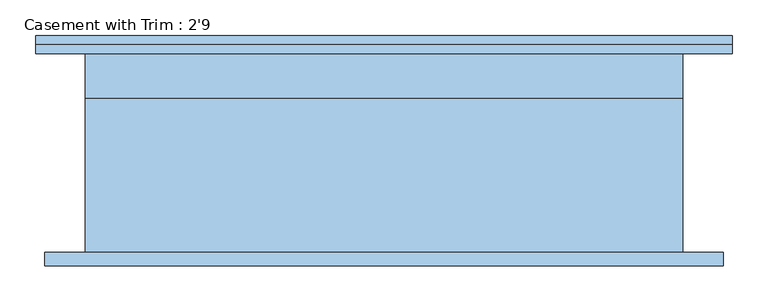
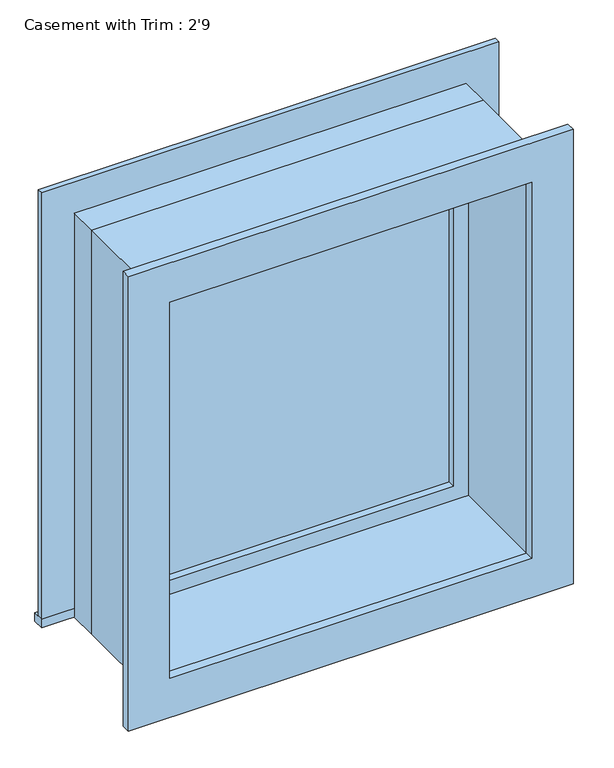
"""IFC4 building model written with IfcOpenShell, lengths in millimetres: window geometry, Casement with Trim : 2'9."""

from ifc_helpers import new_model, si_unit, frame, origin, place, context, project, spatial, polyline, outline, extrude, source, transform, mapped, element, save


def casement_with_trim_2_9_e36bd47c(model_context):
    return source(origin(), model_context, "Body", "SweptSolid", [
        extrude(outline(polyline([(-488.95, 165.1), (488.95, 165.1), (488.95, 139.7), (-488.95, 139.7), (-488.95, 165.1)])), frame((0.0, 0.0, 609.6), z_axis=(0.0, 0.0, 1.0), x_axis=(1.0, 0.0, 0.0)), (0.0, 0.0, 1.0), 19.05),
        extrude(outline(polyline([(1504.95, -400.05), (1504.95, 400.05), (628.65, 400.05), (628.65, 488.95), (1593.85, 488.95), (1593.85, -488.95), (628.65, -488.95), (628.65, -400.05), (1504.95, -400.05)])), frame((0.0, 139.7, 0.0), z_axis=(0.0, 1.0, 0.0), x_axis=(0.0, 0.0, 1.0)), (0.0, 0.0, 1.0), 12.7),
        extrude(outline(polyline([(1581.15, 476.25), (1581.15, -476.25), (552.45, -476.25), (552.45, 476.25), (1581.15, 476.25)]), holes=[polyline([(1492.25, 387.35), (641.35, 387.35), (641.35, -387.35), (1492.25, -387.35), (1492.25, 387.35)])]), frame((0.0, -158.75, 0.0), z_axis=(0.0, 1.0, 0.0), x_axis=(0.0, 0.0, 1.0)), (0.0, 0.0, 1.0), 19.05),
        extrude(outline(polyline([(355.6, 92.075), (-355.6, 92.075), (-355.6, 104.775), (355.6, 104.775), (355.6, 92.075)])), frame((0.0, 0.0, 673.1), z_axis=(0.0, 0.0, 1.0), x_axis=(1.0, 0.0, 0.0)), (0.0, 0.0, 1.0), 787.4),
        extrude(outline(polyline([(1504.95, -400.05), (628.65, -400.05), (628.65, 400.05), (1504.95, 400.05), (1504.95, -400.05)]), holes=[polyline([(1460.5, -355.6), (1460.5, 355.6), (673.1, 355.6), (673.1, -355.6), (1460.5, -355.6)])]), frame((0.0, 76.2, 0.0), z_axis=(0.0, 1.0, 0.0), x_axis=(0.0, 0.0, 1.0)), (0.0, 0.0, 1.0), 44.45),
        extrude(outline(polyline([(1524.0, -419.1), (609.6, -419.1), (609.6, 419.1), (1524.0, 419.1), (1524.0, -419.1)]), holes=[polyline([(1492.25, -387.35), (1492.25, 387.35), (641.35, 387.35), (641.35, -387.35), (1492.25, -387.35)])]), frame((0.0, -139.7, 0.0), z_axis=(0.0, 1.0, 0.0), x_axis=(0.0, 0.0, 1.0)), (0.0, 0.0, 1.0), 215.9),
        extrude(outline(polyline([(1524.0, 419.1), (1524.0, -419.1), (609.6, -419.1), (609.6, 419.1), (1524.0, 419.1)]), holes=[polyline([(1504.95, 400.05), (628.65, 400.05), (628.65, -400.05), (1504.95, -400.05), (1504.95, 400.05)])]), frame((0.0, 76.2, 0.0), z_axis=(0.0, 1.0, 0.0), x_axis=(0.0, 0.0, 1.0)), (0.0, 0.0, 1.0), 63.5),
    ])


if __name__ == "__main__":
    model = new_model("IFC4")
    model_context = context("Model", 3, world=origin())
    ifc_project = project(units=[si_unit("LENGTHUNIT", "METRE", prefix="MILLI")], contexts=[model_context])
    site = spatial("IfcSite", under=ifc_project)
    building = spatial("IfcBuilding", under=site)
    placement = place(None, origin())
    casement_with_trim_2_9_shape = casement_with_trim_2_9_e36bd47c(model_context)
    element("IfcWindow", 1, ObjectType="Casement with Trim : 2'9", at=placement, inside=building, context=model_context, shape_type="MappedRepresentation", body=[
        mapped(casement_with_trim_2_9_shape, transform((0.0, 0.0, 0.0), x_axis=(1.0, 0.0, 0.0), y_axis=(0.0, 1.0, 0.0), z_axis=(0.0, 0.0, 1.0))),
    ])
    save(model, "model.ifc")
